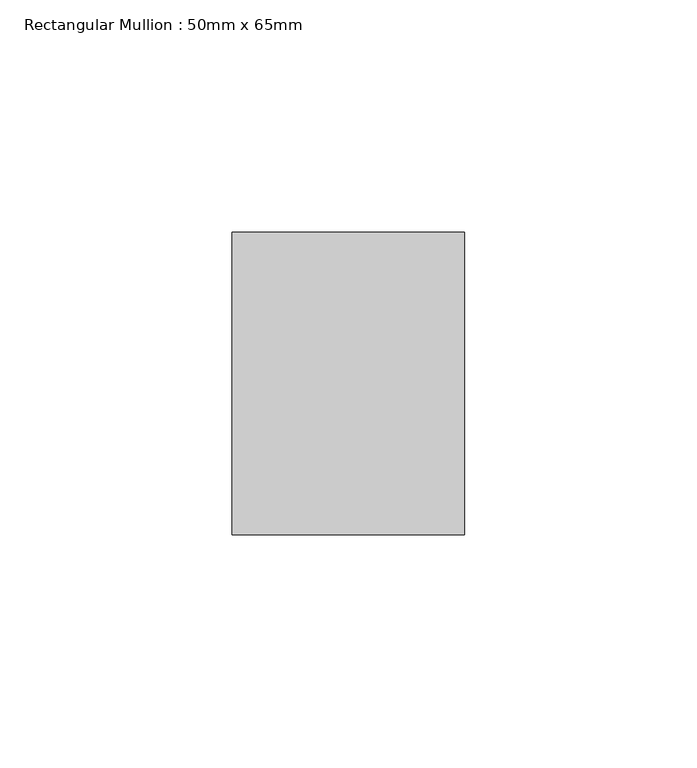
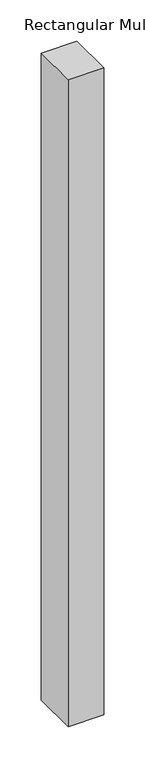
"""IFC4 building model written with IfcOpenShell, lengths in millimetres: member geometry, Rectangular Mullion : 50mm x 65mm."""

from ifc_helpers import new_model, si_unit, frame, origin, place, context, project, spatial, polyline, outline, extrude, source, transform, mapped, element, save


def rectangular_mullion_50mm_x_65mm_f1f67c3a(model_context):
    return source(origin(), model_context, "Body", "SweptSolid", [
        extrude(outline(polyline([(25.0, 32.5), (25.0, -32.5), (-25.0, -32.5), (-25.0, 32.5), (25.0, 32.5)])), frame((0.0, 0.0, -957.7639139), z_axis=(0.0, 0.0, 1.0), x_axis=(1.0, 0.0, 0.0)), (0.0, 0.0, 1.0), 957.7639139),
    ])


if __name__ == "__main__":
    model = new_model("IFC4")
    model_context = context("Model", 3, world=origin())
    ifc_project = project(units=[si_unit("LENGTHUNIT", "METRE", prefix="MILLI")], contexts=[model_context])
    site = spatial("IfcSite", under=ifc_project)
    building = spatial("IfcBuilding", under=site)
    placement = place(None, origin())
    rectangular_mullion_50mm_x_65mm_shape = rectangular_mullion_50mm_x_65mm_f1f67c3a(model_context)
    element("IfcMember", 1, ObjectType="Rectangular Mullion : 50mm x 65mm", at=placement, inside=building, context=model_context, shape_type="MappedRepresentation", body=[
        mapped(rectangular_mullion_50mm_x_65mm_shape, transform((0.0, 0.0, 0.0), x_axis=(1.0, 0.0, 0.0), y_axis=(0.0, 1.0, 0.0), z_axis=(0.0, 0.0, 1.0))),
    ])
    save(model, "model.ifc")
